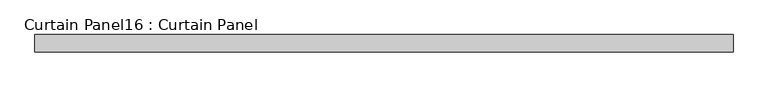
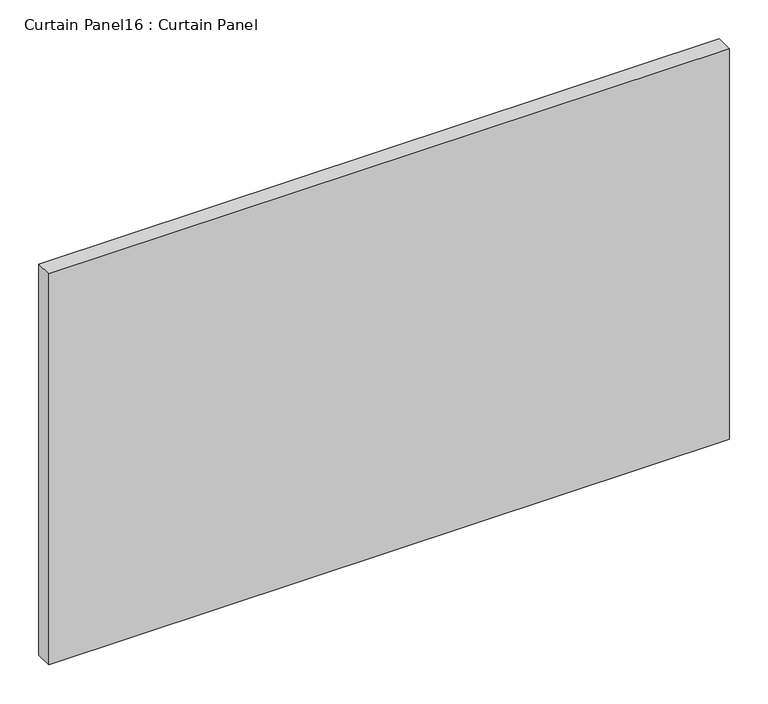
"""IFC4 building model written with IfcOpenShell, lengths in millimetres: plate geometry, Curtain Panel16 : Curtain Panel."""

from ifc_helpers import new_model, si_unit, frame, origin, place, context, project, spatial, polyline, outline, extrude, source, transform, mapped, element, save


def curtain_panel16_curtain_panel_bc4f45f5(model_context):
    return source(origin(), model_context, "Body", "SweptSolid", [
        extrude(outline(polyline([(1424.4627701, 3568.3617926), (412.2932767, 3568.3617926), (412.2932767, 3593.7617926), (1424.4627701, 3593.7617926), (1424.4627701, 3568.3617926)])), frame((0.0, 0.0, 39.8083785), z_axis=(0.0, 0.0, 1.0), x_axis=(1.0, 0.0, 0.0)), (0.0, 0.0, 1.0), 614.6596631),
    ])


if __name__ == "__main__":
    model = new_model("IFC4")
    model_context = context("Model", 3, world=origin())
    ifc_project = project(units=[si_unit("LENGTHUNIT", "METRE", prefix="MILLI")], contexts=[model_context])
    site = spatial("IfcSite", under=ifc_project)
    building = spatial("IfcBuilding", under=site)
    placement = place(None, origin())
    curtain_panel16_curtain_panel_shape = curtain_panel16_curtain_panel_bc4f45f5(model_context)
    element("IfcPlate", 1, ObjectType="Curtain Panel16 : Curtain Panel", at=placement, inside=building, context=model_context, shape_type="MappedRepresentation", body=[
        mapped(curtain_panel16_curtain_panel_shape, transform((0.0, 0.0, 0.0), x_axis=(1.0, 0.0, 0.0), y_axis=(0.0, 1.0, 0.0), z_axis=(0.0, 0.0, 1.0))),
    ])
    save(model, "model.ifc")
